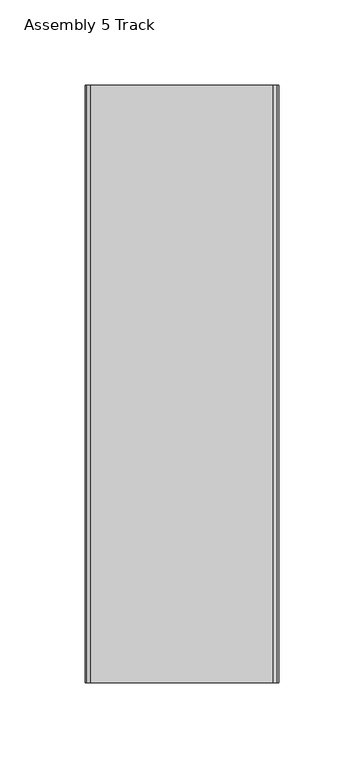
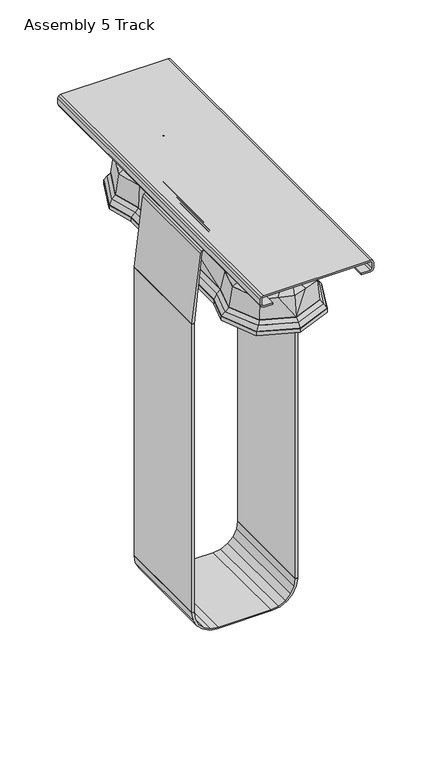
"""IFC4 building model written with IfcOpenShell, lengths in millimetres: furniture geometry, Assembly 5 Track."""

from ifc_helpers import new_model, si_unit, point, frame, frame_2d, origin, origin_2d, place, context, project, spatial, polyline, circle_curve, trimmed, segment, composite_curve, outline, extrude, faceted_brep, source, transform, mapped, element, save
from ifc_brep_helpers import plane_surface, spline_surface, advanced_brep


def assembly_5_track_aa5ab2af(model_context):
    return source(origin(), model_context, "Body", "SolidModel", [
        advanced_brep(
        [(-17.2873897, -117.3429758, 651.87166), (-4.8963072, -124.2971026, 651.87166), (4.8963072, -124.2971026, 651.87166), (17.2873897, -117.3429758, 651.87166), (24.3267209, -99.6999939, 651.87166), (30.2100866, -74.7228336, 651.87166), (30.2100866, 0.0, 651.87166), (30.2100866, 74.7228336, 651.87166), (24.3267209, 99.6999939, 651.87166), (17.2873897, 117.3429758, 651.87166), (4.8963072, 124.2971026, 651.87166), (-4.8963072, 124.2971026, 651.87166), (-17.2873897, 117.3429758, 651.87166), (-24.3267209, 99.6999939, 651.87166), (-30.2100866, 74.7228336, 651.87166), (-30.2100866, 0.0, 651.87166), (-30.2100866, -74.7228336, 651.87166), (-24.3267209, -99.6999939, 651.87166), (-28.5698871, -126.5841996, 643.2464921), (-39.8376291, -97.9798772, 643.2464921), (-33.3850866, -74.2980338, 643.2464921), (-33.3850866, 0.0, 643.2464921), (-33.3850866, 74.2980338, 643.2464921), (-39.8376291, 97.9798772, 643.2464921), (-28.5698871, 126.5841996, 643.2464921), (-13.8886918, 132.4223788, 643.2464921), (0.0, 136.9559961, 643.2464921), (13.8886918, 132.4223788, 643.2464921), (28.5698871, 126.5841996, 643.2464921), (39.8376291, 97.9798772, 643.2464921), (33.3850866, 74.2980338, 643.2464921), (33.3850866, 0.0, 643.2464921), (33.3850866, -74.2980338, 643.2464921), (39.8376291, -97.9798772, 643.2464921), (28.5698871, -126.5841996, 643.2464921), (13.8886918, -132.4223788, 643.2464921), (0.0, -136.9559961, 643.2464921), (-13.8886918, -132.4223788, 643.2464921)],
        [
            (0, 1),
            (1, 2),
            (2, 3),
            (3, 4),
            (4, 5),
            (5, 6),
            (6, 7),
            (7, 8),
            (8, 9),
            (9, 10),
            (10, 11),
            (11, 12),
            (12, 13),
            (13, 14),
            (14, 15),
            (15, 16),
            (16, 17),
            (17, 0),
            (18, 19),
            (19, 20),
            (20, 21),
            (21, 22),
            (22, 23),
            (23, 24),
            (24, 25),
            (25, 26),
            (26, 27),
            (27, 28),
            (28, 29),
            (29, 30),
            (30, 31),
            (31, 32),
            (32, 33),
            (33, 34),
            (34, 35),
            (35, 36),
            (36, 37),
            (37, 18),
            (26, 10),
            (10, 27),
            (35, 2),
            (2, 36),
            (37, 1),
            (0, 18),
            (34, 3),
            (33, 4),
            (32, 5),
            (31, 6),
            (30, 7),
            (29, 8),
            (28, 9),
            (25, 11),
            (24, 12),
            (23, 13),
            (22, 14),
            (21, 15),
            (20, 16),
            (19, 17),
        ],
        [
            plane_surface(frame((0.0, 0.0, 651.87166), z_axis=(0.0, 0.0, 1.0), x_axis=(-0.8720519854537111, -0.4894132555072866, 0.0))),
            plane_surface(frame((0.0, 0.0, 643.2464921), z_axis=(0.0, 0.0, -1.0), x_axis=(-0.8720519854537111, -0.4894132555072866, 0.0))),
            plane_surface(frame((6.9443459, 134.6891874, 643.2464921), z_axis=(0.1968054426729843, 0.6029115340875425, 0.7731528308158078), x_axis=(-0.9506350557655162, 0.3103111192814303, 0.0))),
            plane_surface(frame((6.9443459, -134.6891874, 643.2464921), z_axis=(0.19680544267305358, -0.6029115340874944, 0.7731528308158275), x_axis=(0.9506350557654767, 0.31031111928155136, 0.0))),
            spline_surface(1, 1, [[(-28.5698871, -126.5841996, 643.2464921), (-17.2873897, -117.3429758, 651.87166)], [(-13.8886918, -132.4223788, 643.2464921), (-4.8963072, -124.2971026, 651.87166)]], [2, 2], [2, 2], [0.0, 1.0], [0.0, 1.0]),
            spline_surface(1, 1, [[(-13.8886918, -132.4223788, 643.2464921), (-4.8963072, -124.2971026, 651.87166)], [(0.0, -136.9559961, 643.2464921), (4.8963072, -124.2971026, 651.87166)]], [2, 2], [2, 2], [0.0, 1.0], [0.0, 1.0]),
            spline_surface(1, 1, [[(13.8886918, -132.4223788, 643.2464921), (4.8963072, -124.2971026, 651.87166)], [(28.5698871, -126.5841996, 643.2464921), (17.2873897, -117.3429758, 651.87166)]], [2, 2], [2, 2], [0.0, 1.0], [0.0, 1.0]),
            spline_surface(1, 1, [[(28.5698871, -126.5841996, 643.2464921), (17.2873897, -117.3429758, 651.87166)], [(39.8376291, -97.9798772, 643.2464921), (24.3267209, -99.6999939, 651.87166)]], [2, 2], [2, 2], [0.0, 1.0], [0.0, 1.0]),
            spline_surface(1, 1, [[(39.8376291, -97.9798772, 643.2464921), (24.3267209, -99.6999939, 651.87166)], [(33.3850866, -74.2980338, 643.2464921), (30.2100866, -74.7228336, 651.87166)]], [2, 2], [2, 2], [0.0, 1.0], [0.0, 1.0]),
            plane_surface(frame((33.3850866, -37.1490169, 643.2464921), z_axis=(0.9384381447550459, 0.0, 0.3454473164879234), x_axis=(0.0, 1.0, 0.0))),
            plane_surface(frame((33.3850866, 37.1490169, 643.2464921), z_axis=(0.9384381447550459, 0.0, 0.3454473164879234), x_axis=(0.0, 1.0, 0.0))),
            spline_surface(1, 1, [[(33.3850866, 74.2980338, 643.2464921), (30.2100866, 74.7228336, 651.87166)], [(39.8376291, 97.9798772, 643.2464921), (24.3267209, 99.6999939, 651.87166)]], [2, 2], [2, 2], [0.0, 1.0], [0.0, 1.0]),
            spline_surface(1, 1, [[(39.8376291, 97.9798772, 643.2464921), (24.3267209, 99.6999939, 651.87166)], [(28.5698871, 126.5841996, 643.2464921), (17.2873897, 117.3429758, 651.87166)]], [2, 2], [2, 2], [0.0, 1.0], [0.0, 1.0]),
            spline_surface(1, 1, [[(28.5698871, 126.5841996, 643.2464921), (17.2873897, 117.3429758, 651.87166)], [(13.8886918, 132.4223788, 643.2464921), (4.8963072, 124.2971026, 651.87166)]], [2, 2], [2, 2], [0.0, 1.0], [0.0, 1.0]),
            spline_surface(1, 1, [[(0.0, 136.9559961, 643.2464921), (4.8963072, 124.2971026, 651.87166)], [(-13.8886918, 132.4223788, 643.2464921), (-4.8963072, 124.2971026, 651.87166)]], [2, 2], [2, 2], [0.0, 1.0], [0.0, 1.0]),
            spline_surface(1, 1, [[(-13.8886918, 132.4223788, 643.2464921), (-4.8963072, 124.2971026, 651.87166)], [(-28.5698871, 126.5841996, 643.2464921), (-17.2873897, 117.3429758, 651.87166)]], [2, 2], [2, 2], [0.0, 1.0], [0.0, 1.0]),
            spline_surface(1, 1, [[(-28.5698871, 126.5841996, 643.2464921), (-17.2873897, 117.3429758, 651.87166)], [(-39.8376291, 97.9798772, 643.2464921), (-24.3267209, 99.6999939, 651.87166)]], [2, 2], [2, 2], [0.0, 1.0], [0.0, 1.0]),
            spline_surface(1, 1, [[(-39.8376291, 97.9798772, 643.2464921), (-24.3267209, 99.6999939, 651.87166)], [(-33.3850866, 74.2980338, 643.2464921), (-30.2100866, 74.7228336, 651.87166)]], [2, 2], [2, 2], [0.0, 1.0], [0.0, 1.0]),
            plane_surface(frame((-33.3850866, 37.1490169, 643.2464921), z_axis=(-0.9384381447550442, 0.0, 0.34544731648792826), x_axis=(0.0, -1.0, 0.0))),
            plane_surface(frame((-33.3850866, -37.1490169, 643.2464921), z_axis=(-0.9384381447550442, 0.0, 0.34544731648792826), x_axis=(0.0, -1.0, 0.0))),
            spline_surface(1, 1, [[(-33.3850866, -74.2980338, 643.2464921), (-30.2100866, -74.7228336, 651.87166)], [(-39.8376291, -97.9798772, 643.2464921), (-24.3267209, -99.6999939, 651.87166)]], [2, 2], [2, 2], [0.0, 1.0], [0.0, 1.0]),
            spline_surface(1, 1, [[(-39.8376291, -97.9798772, 643.2464921), (-24.3267209, -99.6999939, 651.87166)], [(-28.5698871, -126.5841996, 643.2464921), (-17.2873897, -117.3429758, 651.87166)]], [2, 2], [2, 2], [0.0, 1.0], [0.0, 1.0]),
        ],
        [
            (0, [[1, 2, 3, 4, 5, 6, 7, 8, 9, 10, 11, 12, 13, 14, 15, 16, 17, 18]]),
            (1, [[19, 20, 21, 22, 23, 24, 25, 26, 27, 28, 29, 30, 31, 32, 33, 34, 35, 36, 37, 38]]),
            (2, [[-27, 39, 40]]),
            (3, [[-36, 41, 42]]),
            (4, [[-38, 43, -1, 44]]),
            (5, [[-37, -42, -2, -43]]),
            (6, [[-35, 45, -3, -41]]),
            (7, [[-34, 46, -4, -45]]),
            (8, [[-33, 47, -5, -46]]),
            (9, [[-32, 48, -6, -47]]),
            (10, [[-31, 49, -7, -48]]),
            (11, [[-30, 50, -8, -49]]),
            (12, [[-29, 51, -9, -50]]),
            (13, [[-28, -40, -10, -51]]),
            (14, [[-26, 52, -11, -39]]),
            (15, [[-25, 53, -12, -52]]),
            (16, [[-24, 54, -13, -53]]),
            (17, [[-23, 55, -14, -54]]),
            (18, [[-22, 56, -15, -55]]),
            (19, [[-21, 57, -16, -56]]),
            (20, [[-20, 58, -17, -57]]),
            (21, [[-19, -44, -18, -58]]),
        ],
    ),
        extrude(outline(polyline([(-17.0268792, 17.058371), (-0.0310427, 24.0982768), (16.9647937, 17.058371), (24.0046995, 0.0625346), (16.9647937, -16.9333019), (-0.0310427, -23.9732076), (-17.0268792, -16.9333019), (-24.0667849, 0.0625346), (-17.0268792, 17.058371)])), frame((0.0, 0.0, 660.4479135), z_axis=(0.0, 0.0, 1.0), x_axis=(1.0, 0.0, 0.0)), (0.0, 0.0, 1.0), 3.7426452),
        advanced_brep(
        [(-12.2215775, 92.9573778, 655.8231426), (-3.2362175, 98.000144, 655.8231426), (3.2362175, 98.000144, 655.8231426), (12.2215775, 92.9573778, 655.8231426), (18.2540278, 77.8379852, 655.8231426), (24.9849067, 49.262804, 655.8231426), (24.9849067, 0.0, 655.8231426), (24.9849067, -49.262804, 655.8231426), (18.2540278, -77.8379852, 655.8231426), (12.2215775, -92.9573778, 655.8231426), (3.2362175, -98.000144, 655.8231426), (-3.2362175, -98.000144, 655.8231426), (-12.2215775, -92.9573778, 655.8231426), (-18.2540278, -77.8379852, 655.8231426), (-25.1098867, -48.7322156, 655.8231426), (-25.1098867, 0.0, 655.8231426), (-25.1098867, 48.7322156, 655.8231426), (-18.2540278, 77.8379852, 655.8231426), (-17.0268792, 17.058371, 660.4479135), (-24.0667849, 0.0625346, 660.4479135), (-17.0268792, -16.9333019, 660.4479135), (-0.0310427, -23.9732076, 660.4479135), (16.9647937, -16.9333019, 660.4479135), (24.0046995, 0.0625346, 660.4479135), (16.9647937, 17.058371, 660.4479135), (-0.0310427, 24.0982768, 660.4479135)],
        [
            (0, 1),
            (1, 2),
            (2, 3),
            (3, 4),
            (4, 5),
            (5, 6),
            (6, 7),
            (7, 8),
            (8, 9),
            (9, 10),
            (10, 11),
            (11, 12),
            (12, 13),
            (13, 14),
            (14, 15),
            (15, 16),
            (16, 17),
            (17, 0),
            (18, 19),
            (19, 20),
            (20, 21),
            (21, 22),
            (22, 23),
            (23, 24),
            (24, 25),
            (25, 18),
            (6, 23),
            (23, 7),
            (23, 8),
            (22, 9),
            (21, 10),
            (21, 11),
            (20, 12),
            (19, 13),
            (19, 14),
            (19, 15),
            (25, 1),
            (0, 18),
            (25, 2),
            (24, 3),
            (23, 4),
            (23, 5),
            (19, 16),
            (19, 17),
        ],
        [
            plane_surface(frame((-0.02083, 0.0, 655.8231426), z_axis=(0.0, 0.0, -1.0), x_axis=(0.2292751653209322, -0.9733616483954252, 0.0))),
            plane_surface(frame((-0.0310427, 0.0625346, 660.4479135), z_axis=(0.0, 0.0, 1.0), x_axis=(0.2292751653209322, -0.9733616483954252, 0.0))),
            plane_surface(frame((24.0046995, 0.0625346, 660.4479135), z_axis=(0.9782686660565723, 0.0, 0.20734130560960282), x_axis=(0.0, -1.0, 0.0))),
            plane_surface(frame((24.0046995, 0.0625346, 660.4479135), z_axis=(0.34346769085420936, -0.08090375425496898, 0.9356733018990812), x_axis=(-0.2292751653209367, -0.973361648395424, 0.0))),
            spline_surface(1, 1, [[(24.0046995, 0.0625346, 660.4479135), (18.2540278, -77.8379852, 655.8231426)], [(16.9647937, -16.9333019, 660.4479135), (12.2215775, -92.9573778, 655.8231426)]], [2, 2], [2, 2], [0.0, 1.0], [0.0, 1.0]),
            spline_surface(1, 1, [[(16.9647937, -16.9333019, 660.4479135), (12.2215775, -92.9573778, 655.8231426)], [(-0.0310427, -23.9732076, 660.4479135), (3.2362175, -98.000144, 655.8231426)]], [2, 2], [2, 2], [0.0, 1.0], [0.0, 1.0]),
            plane_surface(frame((-0.0310427, -23.9732076, 660.4479135), z_axis=(0.0, -0.06235259879274023, 0.9980541836111864), x_axis=(-1.0, 0.0, 0.0))),
            spline_surface(1, 1, [[(-0.0310427, -23.9732076, 660.4479135), (-3.2362175, -98.000144, 655.8231426)], [(-17.0268792, -16.9333019, 660.4479135), (-12.2215775, -92.9573778, 655.8231426)]], [2, 2], [2, 2], [0.0, 1.0], [0.0, 1.0]),
            spline_surface(1, 1, [[(-17.0268792, -16.9333019, 660.4479135), (-12.2215775, -92.9573778, 655.8231426)], [(-24.0667849, 0.0625346, 660.4479135), (-18.2540278, -77.8379852, 655.8231426)]], [2, 2], [2, 2], [0.0, 1.0], [0.0, 1.0]),
            plane_surface(frame((-24.0667849, 0.0625346, 660.4479135), z_axis=(-0.3449554713380707, -0.08125420068663988, 0.9350954377306655), x_axis=(-0.2292751653209322, 0.9733616483954252, 0.0))),
            plane_surface(frame((-24.0667849, 0.0625346, 660.4479135), z_axis=(-0.9754954124755818, 0.0, 0.22001977238215342), x_axis=(0.0, 1.0, 0.0))),
            spline_surface(1, 1, [[(-17.0268792, 17.058371, 660.4479135), (-12.2215775, 92.9573778, 655.8231426)], [(-0.0310427, 24.0982768, 660.4479135), (-3.2362175, 98.000144, 655.8231426)]], [2, 2], [2, 2], [0.0, 1.0], [0.0, 1.0]),
            plane_surface(frame((-0.0310427, 24.0982768, 660.4479135), z_axis=(0.0, 0.062457711032967066, 0.9980476112553561), x_axis=(1.0, 0.0, 0.0))),
            spline_surface(1, 1, [[(-0.0310427, 24.0982768, 660.4479135), (3.2362175, 98.000144, 655.8231426)], [(16.9647937, 17.058371, 660.4479135), (12.2215775, 92.9573778, 655.8231426)]], [2, 2], [2, 2], [0.0, 1.0], [0.0, 1.0]),
            spline_surface(1, 1, [[(16.9647937, 17.058371, 660.4479135), (12.2215775, 92.9573778, 655.8231426)], [(24.0046995, 0.0625346, 660.4479135), (18.2540278, 77.8379852, 655.8231426)]], [2, 2], [2, 2], [0.0, 1.0], [0.0, 1.0]),
            plane_surface(frame((24.0046995, 0.0625346, 660.4479135), z_axis=(0.3441721653532816, 0.08106969309949283, 0.9354000349886606), x_axis=(0.229275165320935, -0.9733616483954245, 0.0))),
            plane_surface(frame((24.0046995, 0.0625346, 660.4479135), z_axis=(0.9782686660565724, 0.0, 0.20734130560960284), x_axis=(0.0, -1.0, 0.0))),
            plane_surface(frame((-24.0667849, 0.0625346, 660.4479135), z_axis=(-0.9754954124755818, 0.0, 0.2200197723821534), x_axis=(0.0, 1.0, 0.0))),
            plane_surface(frame((-24.0667849, 0.0625346, 660.4479135), z_axis=(-0.3456656272537626, 0.08142147778785265, 0.9348186011682187), x_axis=(0.22927516532093598, 0.9733616483954243, 0.0))),
            spline_surface(1, 1, [[(-24.0667849, 0.0625346, 660.4479135), (-18.2540278, 77.8379852, 655.8231426)], [(-17.0268792, 17.058371, 660.4479135), (-12.2215775, 92.9573778, 655.8231426)]], [2, 2], [2, 2], [0.0, 1.0], [0.0, 1.0]),
        ],
        [
            (0, [[1, 2, 3, 4, 5, 6, 7, 8, 9, 10, 11, 12, 13, 14, 15, 16, 17, 18]]),
            (1, [[19, 20, 21, 22, 23, 24, 25, 26]]),
            (2, [[-7, 27, 28]]),
            (3, [[-8, -28, 29]]),
            (4, [[-23, 30, -9, -29]]),
            (5, [[-22, 31, -10, -30]]),
            (6, [[-11, -31, 32]]),
            (7, [[-21, 33, -12, -32]]),
            (8, [[-20, 34, -13, -33]]),
            (9, [[-14, -34, 35]]),
            (10, [[-15, -35, 36]]),
            (11, [[-26, 37, -1, 38]]),
            (12, [[-2, -37, 39]]),
            (13, [[-25, 40, -3, -39]]),
            (14, [[-24, 41, -4, -40]]),
            (15, [[-5, -41, 42]]),
            (16, [[-6, -42, -27]]),
            (17, [[-16, -36, 43]]),
            (18, [[-17, -43, 44]]),
            (19, [[-19, -38, -18, -44]]),
        ],
    ),
        faceted_brep([(-24.3267209, 99.6999939, 651.87166), (-17.2873897, 117.3429758, 651.87166), (-4.8963072, 124.2971026, 651.87166), (4.8963072, 124.2971026, 651.87166), (17.2873897, 117.3429758, 651.87166), (24.3267209, 99.6999939, 651.87166), (30.2100866, 74.7228336, 651.87166), (30.2100866, 0.0, 651.87166), (30.2100866, -74.7228336, 651.87166), (24.3267209, -99.6999939, 651.87166), (17.2873897, -117.3429758, 651.87166), (4.8963072, -124.2971026, 651.87166), (-4.8963072, -124.2971026, 651.87166), (-17.2873897, -117.3429758, 651.87166), (-24.3267209, -99.6999939, 651.87166), (-30.2100866, -74.7228336, 651.87166), (-30.2100866, 0.0, 651.87166), (-30.2100866, 74.7228336, 651.87166), (-18.2540278, 77.8379852, 655.8231426), (-25.1098867, 48.7322156, 655.8231426), (-25.1098867, 0.0, 655.8231426), (-25.1098867, -48.7322156, 655.8231426), (-18.2540278, -77.8379852, 655.8231426), (-12.2215775, -92.9573778, 655.8231426), (-3.2362175, -98.000144, 655.8231426), (3.2362175, -98.000144, 655.8231426), (12.2215775, -92.9573778, 655.8231426), (18.2540278, -77.8379852, 655.8231426), (24.9849067, -49.262804, 655.8231426), (24.9849067, 0.0, 655.8231426), (24.9849067, 49.262804, 655.8231426), (18.2540278, 77.8379852, 655.8231426), (12.2215775, 92.9573778, 655.8231426), (3.2362175, 98.000144, 655.8231426), (-3.2362175, 98.000144, 655.8231426), (-12.2215775, 92.9573778, 655.8231426)], [[[0, 1, 2, 3, 4, 5, 6, 7, 8, 9, 10, 11, 12, 13, 14, 15, 16, 17]], [[18, 19, 20, 21, 22, 23, 24, 25, 26, 27, 28, 29, 30, 31, 32, 33, 34, 35]], [[18, 35, 1, 0]], [[35, 34, 2, 1]], [[34, 33, 3, 2]], [[33, 32, 4, 3]], [[32, 31, 5, 4]], [[31, 30, 6, 5]], [[30, 29, 7, 6]], [[29, 28, 8, 7]], [[28, 27, 9, 8]], [[27, 26, 10, 9]], [[26, 25, 11, 10]], [[25, 24, 12, 11]], [[24, 23, 13, 12]], [[23, 22, 14, 13]], [[22, 21, 15, 14]], [[21, 20, 16, 15]], [[20, 19, 17, 16]], [[19, 18, 0, 17]]]),
        faceted_brep([(-30.3022334, 128.1602075, 622.5134218), (-43.4431033, 98.1638447, 622.5134218), (-36.1041447, 71.2287153, 622.5134218), (-36.1041447, -71.2287153, 622.5134218), (-43.4220932, -98.0867346, 622.5134218), (-30.3022334, -128.0351384, 622.5134218), (-0.0310427, -140.3357292, 622.5134218), (30.2401479, -128.0351384, 622.5134218), (43.3982859, -97.999358, 622.5134218), (36.1041447, -71.2287153, 622.5134218), (36.1041447, 71.2287153, 622.5134218), (43.4192959, 98.0764681, 622.5134218), (30.2401479, 128.1602075, 622.5134218), (-0.0310427, 140.4607984, 622.5134218), (-32.6927164, 130.6159575, 619.1070621), (-0.0310427, 143.8879126, 619.1070621), (32.630631, 130.6159575, 619.1070621), (46.7773601, 98.3235426, 619.1070621), (39.2791447, 70.8039155, 619.1070621), (39.2791447, -70.8039155, 619.1070621), (46.7563501, -98.2464326, 619.1070621), (32.630631, -130.4908883, 619.1070621), (-0.0310427, -143.7628435, 619.1070621), (-32.6927164, -130.4908883, 619.1070621), (-46.7801574, -98.3338092, 619.1070621), (-39.2791447, -70.8039155, 619.1070621), (-39.2791447, 70.8039155, 619.1070621), (-46.8011675, 98.4109192, 619.1070621)], [[[0, 1, 2, 3, 4, 5, 6, 7, 8, 9, 10, 11, 12, 13]], [[14, 15, 16, 17, 18, 19, 20, 21, 22, 23, 24, 25, 26, 27]], [[14, 27, 1, 0]], [[27, 26, 2, 1]], [[26, 25, 3, 2]], [[25, 24, 4, 3]], [[24, 23, 5, 4]], [[23, 22, 6, 5]], [[22, 21, 7, 6]], [[21, 20, 8, 7]], [[20, 19, 9, 8]], [[19, 18, 10, 9]], [[18, 17, 11, 10]], [[17, 16, 12, 11]], [[16, 15, 13, 12]], [[15, 14, 0, 13]]]),
        advanced_brep(
        [(-28.5698871, 126.5841996, 643.2464921), (-39.8376291, 97.9798772, 643.2464921), (-33.3850866, 74.2980338, 643.2464921), (-33.3850866, 0.0, 643.2464921), (-33.3850866, -74.2980338, 643.2464921), (-39.8376291, -97.9798772, 643.2464921), (-28.5698871, -126.5841996, 643.2464921), (-13.8886918, -132.4223788, 643.2464921), (0.0, -136.9559961, 643.2464921), (13.8886918, -132.4223788, 643.2464921), (28.5698871, -126.5841996, 643.2464921), (39.8376291, -97.9798772, 643.2464921), (33.3850866, -74.2980338, 643.2464921), (33.3850866, 0.0, 643.2464921), (33.3850866, 74.2980338, 643.2464921), (39.8376291, 97.9798772, 643.2464921), (28.5698871, 126.5841996, 643.2464921), (13.8886918, 132.4223788, 643.2464921), (0.0, 136.9559961, 643.2464921), (-13.8886918, 132.4223788, 643.2464921), (-30.3022334, 128.1602075, 622.5134218), (-0.0310427, 140.4607984, 622.5134218), (30.2401479, 128.1602075, 622.5134218), (43.4192959, 98.0764681, 622.5134218), (36.1041447, 71.2287153, 622.5134218), (36.1041447, -71.2287153, 622.5134218), (43.3982859, -97.999358, 622.5134218), (30.2401479, -128.0351384, 622.5134218), (-0.0310427, -140.3357292, 622.5134218), (-30.3022334, -128.0351384, 622.5134218), (-43.4220932, -98.0867346, 622.5134218), (-36.1041447, -71.2287153, 622.5134218), (-36.1041447, 71.2287153, 622.5134218), (-43.4431033, 98.1638447, 622.5134218)],
        [
            (0, 1),
            (1, 2),
            (2, 3),
            (3, 4),
            (4, 5),
            (5, 6),
            (6, 7),
            (7, 8),
            (8, 9),
            (9, 10),
            (10, 11),
            (11, 12),
            (12, 13),
            (13, 14),
            (14, 15),
            (15, 16),
            (16, 17),
            (17, 18),
            (18, 19),
            (19, 0),
            (20, 21),
            (21, 22),
            (22, 23),
            (23, 24),
            (24, 25),
            (25, 26),
            (26, 27),
            (27, 28),
            (28, 29),
            (29, 30),
            (30, 31),
            (31, 32),
            (32, 33),
            (33, 20),
            (3, 31),
            (31, 4),
            (13, 24),
            (24, 14),
            (33, 1),
            (0, 20),
            (32, 2),
            (30, 5),
            (29, 6),
            (26, 11),
            (10, 27),
            (25, 12),
            (23, 15),
            (22, 16),
            (28, 7),
            (9, 28),
            (21, 17),
            (21, 18),
            (21, 19),
            (28, 8),
        ],
        [
            plane_surface(frame((0.0, 0.0, 643.2464921), z_axis=(0.0, 0.0, 1.0000000000000002), x_axis=(-0.3665068524257719, -0.9304153519396343, 0.0))),
            plane_surface(frame((-0.0167051, 0.0378163, 622.5134218), z_axis=(0.0, 0.0, -1.0000000000000002), x_axis=(-0.3665068524257719, -0.9304153519396343, 0.0))),
            plane_surface(frame((-36.1041447, -71.2287153, 622.5134218), z_axis=(-0.9915097347592615, 0.0, 0.1300324800871651), x_axis=(0.0, -1.0, 0.0))),
            plane_surface(frame((36.1041447, 71.2287153, 622.5134218), z_axis=(0.9915097347592604, 0.0, 0.13003248008717344), x_axis=(0.0, 1.0, 0.0))),
            spline_surface(1, 1, [[(-30.3022334, 128.1602075, 622.5134218), (-28.5698871, 126.5841996, 643.2464921)], [(-43.4431033, 98.1638447, 622.5134218), (-39.8376291, 97.9798772, 643.2464921)]], [2, 2], [2, 2], [0.0, 1.0], [0.0, 1.0]),
            plane_surface(frame((-39.773624, 84.69628, 622.5134218), z_axis=(-0.9518868548283684, -0.2593586276510339, 0.16323148552877023), x_axis=(0.262884487639199, -0.964827314164911, 0.0))),
            plane_surface(frame((-36.1041447, 0.0, 622.5134218), z_axis=(-0.9915097347592615, 0.0, 0.13003248008716511), x_axis=(0.0, -1.0, 0.0))),
            plane_surface(frame((-39.763119, -84.657725, 622.5134218), z_axis=(-0.9518868548283698, 0.2593586276510342, 0.16323148552876188), x_axis=(-0.26288448763919897, -0.9648273141649111, 0.0))),
            spline_surface(1, 1, [[(-43.4220932, -98.0867346, 622.5134218), (-39.8376291, -97.9798772, 643.2464921)], [(-30.3022334, -128.0351384, 622.5134218), (-28.5698871, -126.5841996, 643.2464921)]], [2, 2], [2, 2], [0.0, 1.0], [0.0, 1.0]),
            spline_surface(1, 1, [[(30.2401479, -128.0351384, 622.5134218), (28.5698871, -126.5841996, 643.2464921)], [(43.3982859, -97.999358, 622.5134218), (39.8376291, -97.9798772, 643.2464921)]], [2, 2], [2, 2], [0.0, 1.0], [0.0, 1.0]),
            plane_surface(frame((39.7512153, -84.6140367, 622.5134218), z_axis=(0.951886854828366, 0.259358627651033, 0.16323148552878566), x_axis=(-0.2628844876391988, 0.9648273141649111, 0.0))),
            plane_surface(frame((36.1041447, 0.0, 622.5134218), z_axis=(0.9915097347592604, 0.0, 0.13003248008717344), x_axis=(0.0, 1.0, 0.0))),
            plane_surface(frame((39.7617203, 84.6525917, 622.5134218), z_axis=(0.9518868548283688, -0.259358627651034, 0.16323148552876765), x_axis=(0.262884487639199, 0.964827314164911, 0.0))),
            spline_surface(1, 1, [[(43.4192959, 98.0764681, 622.5134218), (39.8376291, 97.9798772, 643.2464921)], [(30.2401479, 128.1602075, 622.5134218), (28.5698871, 126.5841996, 643.2464921)]], [2, 2], [2, 2], [0.0, 1.0], [0.0, 1.0]),
            spline_surface(1, 1, [[(-30.3022334, -128.0351384, 622.5134218), (-28.5698871, -126.5841996, 643.2464921)], [(-0.0310427, -140.3357292, 622.5134218), (-13.8886918, -132.4223788, 643.2464921)]], [2, 2], [2, 2], [0.0, 1.0], [0.0, 1.0]),
            spline_surface(1, 1, [[(-0.0310427, -140.3357292, 622.5134218), (13.8886918, -132.4223788, 643.2464921)], [(30.2401479, -128.0351384, 622.5134218), (28.5698871, -126.5841996, 643.2464921)]], [2, 2], [2, 2], [0.0, 1.0], [0.0, 1.0]),
            spline_surface(1, 1, [[(30.2401479, 128.1602075, 622.5134218), (28.5698871, 126.5841996, 643.2464921)], [(-0.0310427, 140.4607984, 622.5134218), (13.8886918, 132.4223788, 643.2464921)]], [2, 2], [2, 2], [0.0, 1.0], [0.0, 1.0]),
            plane_surface(frame((-0.0310427, 140.4607984, 622.5134218), z_axis=(0.30640258609796267, 0.9386613028773333, 0.15821635096635253), x_axis=(-0.9506350557655463, 0.31031111928133803, 0.0))),
            plane_surface(frame((-0.0310427, 140.4607984, 622.5134218), z_axis=(-0.30635798711353374, 0.9385246743280923, 0.15911071431268356), x_axis=(-0.9506350557655491, -0.31031111928132943, 0.0))),
            spline_surface(1, 1, [[(-0.0310427, 140.4607984, 622.5134218), (-13.8886918, 132.4223788, 643.2464921)], [(-30.3022334, 128.1602075, 622.5134218), (-28.5698871, 126.5841996, 643.2464921)]], [2, 2], [2, 2], [0.0, 1.0], [0.0, 1.0]),
            plane_surface(frame((-0.0310427, -140.3357292, 622.5134218), z_axis=(-0.306629406970243, -0.9393561663845429, 0.15358515376302534), x_axis=(0.9506350557655779, -0.3103111192812409, 0.0))),
            plane_surface(frame((-0.0310427, -140.3357292, 622.5134218), z_axis=(0.3066725285262527, -0.9394882688454245, 0.15268841786180945), x_axis=(0.9506350557654819, 0.31031111928153526, 0.0))),
        ],
        [
            (0, [[1, 2, 3, 4, 5, 6, 7, 8, 9, 10, 11, 12, 13, 14, 15, 16, 17, 18, 19, 20]]),
            (1, [[21, 22, 23, 24, 25, 26, 27, 28, 29, 30, 31, 32, 33, 34]]),
            (2, [[-4, 35, 36]]),
            (3, [[-14, 37, 38]]),
            (4, [[-34, 39, -1, 40]]),
            (5, [[-33, 41, -2, -39]]),
            (6, [[-32, -35, -3, -41]]),
            (7, [[-31, 42, -5, -36]]),
            (8, [[-30, 43, -6, -42]]),
            (9, [[-27, 44, -11, 45]]),
            (10, [[-26, 46, -12, -44]]),
            (11, [[-25, -37, -13, -46]]),
            (12, [[-24, 47, -15, -38]]),
            (13, [[-23, 48, -16, -47]]),
            (14, [[-29, 49, -7, -43]]),
            (15, [[-28, -45, -10, 50]]),
            (16, [[-22, 51, -17, -48]]),
            (17, [[-18, -51, 52]]),
            (18, [[-19, -52, 53]]),
            (19, [[-21, -40, -20, -53]]),
            (20, [[-8, -49, 54]]),
            (21, [[-9, -54, -50]]),
        ],
    ),
        extrude(outline(composite_curve([segment(trimmed(circle_curve(origin_2d(), 15.8750001), [point((15.8750001, 0.0))], [point((-15.8750001, 0.0))], False, "CARTESIAN"), True, "CONTINUOUS"), segment(trimmed(circle_curve(origin_2d(), 15.8750001), [point((-15.8750001, 0.0))], [point((15.8750001, 0.0))], False, "CARTESIAN"), True, "CONTINUOUS")], self_intersect=False)), frame((0.0, 0.0, 664.1905587), z_axis=(0.0, 0.0, 1.0), x_axis=(1.0, 0.0, 0.0)), (0.0, 0.0, 1.0), 5.0194418),
        extrude(outline(composite_curve([segment(trimmed(circle_curve(frame_2d((680.5353179, -42.8480782)), 3.0000007), [point((682.0353185, -40.2500015))], [point((683.1333946, -44.3480788))], False, "CARTESIAN"), True, "CONTINUOUS"), segment(polyline([(683.1333946, -44.3480788), (678.6333947, -52.1423051), (676.9013432, -51.1423044), (681.4013433, -43.3480763)]), True, "CONTINUOUS"), segment(trimmed(circle_curve(frame_2d((680.5353169, -42.8480756)), 1.0000012), [point((681.4013433, -43.3480763))], [point((681.0353174, -41.9820492))], True, "CARTESIAN"), True, "CONTINUOUS"), segment(polyline([(681.0353174, -41.9820492), (670.7099997, -36.0207256)]), True, "CONTINUOUS"), segment(trimmed(circle_curve(frame_2d((672.2099985, -33.4226509)), 2.9999981), [point((670.7099997, -36.0207256))], [point((669.2100004, -33.4226509))], False, "CARTESIAN"), True, "CONTINUOUS"), segment(polyline([(669.2100004, -33.4226509), (669.2100004, 33.4226527)]), True, "CONTINUOUS"), segment(trimmed(circle_curve(frame_2d((672.2099993, 33.4226527)), 2.9999989), [point((669.2100004, 33.4226527))], [point((670.7099997, 36.0207278))], False, "CARTESIAN"), True, "CONTINUOUS"), segment(polyline([(670.7099997, 36.0207278), (681.035319, 41.9820546)]), True, "CONTINUOUS"), segment(trimmed(circle_curve(frame_2d((680.5353203, 42.8480776)), 0.9999973), [point((681.035319, 41.9820546))], [point((681.4013433, 43.3480763))], True, "CARTESIAN"), True, "CONTINUOUS"), segment(polyline([(681.4013433, 43.3480763), (676.9013432, 51.1423044), (678.6333947, 52.1423051), (683.1333936, 44.3480805)]), True, "CONTINUOUS"), segment(trimmed(circle_curve(frame_2d((680.5353153, 42.8480789)), 3.0000026), [point((683.1333936, 44.3480805))], [point((682.0353168, 40.2500005))], False, "CARTESIAN"), True, "CONTINUOUS"), segment(polyline([(682.0353168, 40.2500005), (671.7100004, 34.2886754)]), True, "CONTINUOUS"), segment(trimmed(circle_curve(frame_2d((672.2100011, 33.4226489)), 1.0000013), [point((671.7100004, 34.2886754))], [point((671.2099998, 33.4226489))], True, "CARTESIAN"), True, "CONTINUOUS"), segment(polyline([(671.2099998, 33.4226489), (671.2099998, -33.4226494)]), True, "CONTINUOUS"), segment(trimmed(circle_curve(frame_2d((672.2100002, -33.4226494)), 1.0000004), [point((671.2099998, -33.4226494))], [point((671.71, -34.2886751))], True, "CARTESIAN"), True, "CONTINUOUS"), segment(polyline([(671.71, -34.2886751), (682.0353185, -40.2500015)]), True, "CONTINUOUS")], self_intersect=False)), frame((0.0, -50.038, 0.0), z_axis=(0.0, 1.0, 0.0), x_axis=(0.0, 0.0, 1.0)), (0.0, 0.0, 1.0), 100.2147529),
        extrude(outline(polyline([(274.2577691, -50.6309578), (274.2577691, -52.8228583), (266.4086842, -51.5796975), (259.3280118, -47.9718917), (253.7087327, -42.3526081), (250.100886, -35.2718925), (248.8577206, -27.4228598), (248.8577206, 27.3387231), (250.100886, 35.1877557), (253.7087327, 42.2684713), (259.3280118, 47.887755), (266.4086842, 51.4955607), (274.2577691, 52.7387216), (274.2577691, 50.546821), (266.6289469, 49.5232928), (259.7317662, 46.1128633), (254.2891478, 40.674051), (250.8739493, 33.7792184), (249.8483578, 26.174964), (249.8483578, -26.2591007), (250.8739493, -33.8633552), (254.2891478, -40.7581878), (259.7317662, -46.197), (266.6289469, -49.6074296), (274.2577691, -50.6309578)])), frame((0.0, -51.001477, 0.0), z_axis=(0.0, 1.0, 0.0), x_axis=(0.0, 0.0, 1.0)), (0.0, 0.0, 1.0), 100.0000008),
        extrude(outline(polyline([(-50.6305775, -51.001477), (-52.8228583, -51.001477), (-52.8228583, 48.9985238), (-50.6305775, 48.9985238), (-50.6305775, -51.001477)])), frame((0.0, 0.0, 274.2577691), z_axis=(0.0, 0.0, 1.0), x_axis=(1.0, 0.0, 0.0)), (0.0, 0.0, 1.0), 304.8),
        extrude(outline(polyline([(52.7387216, -51.001477), (50.5464408, -51.001477), (50.5464408, 48.9985238), (52.7387216, 48.9985238), (52.7387216, -51.001477)])), frame((0.0, 0.0, 274.2577691), z_axis=(0.0, 0.0, 1.0), x_axis=(1.0, 0.0, 0.0)), (0.0, 0.0, 1.0), 304.7972022),
        extrude(outline(polyline([(652.9398646, -38.5681143), (641.8576513, -18.9221989), (642.5917026, -18.1881476), (653.8108438, -38.0767971), (654.2875249, -40.6021108), (653.1293561, -42.8962567), (650.8144038, -44.0122542), (579.0577691, -52.8228583), (579.0577691, -50.6302803), (650.692534, -43.0197049), (652.4287471, -42.1827102), (653.2973759, -40.462103), (652.9398646, -38.5681143)])), frame((0.0, -51.001477, 0.0), z_axis=(0.0, 1.0, 0.0), x_axis=(0.0, 0.0, 1.0)), (0.0, 0.0, 1.0), 100.0000008),
        extrude(outline(polyline([(650.692534, 42.9355681), (579.0577691, 50.5461435), (579.0577691, 52.7387216), (650.8144038, 43.9281175), (653.1293561, 42.81212), (654.2875249, 40.5179741), (653.8108438, 37.9926604), (642.7286283, 18.3467449), (641.994577, 19.0807962), (652.9398646, 38.4839776), (653.2973759, 40.3779663), (652.4287471, 42.0985734), (650.692534, 42.9355681)])), frame((0.0, -51.001477, 0.0), z_axis=(0.0, 1.0, 0.0), x_axis=(0.0, 0.0, 1.0)), (0.0, 0.0, 1.0), 100.0000008),
        extrude(outline(polyline([(-0.0310427, 146.9590642), (35.2511265, 132.3447037), (49.8654801, 97.0625368), (43.0000007, 71.86515), (43.0000007, -71.7400809), (49.8654801, -96.9374676), (35.2511265, -132.2196345), (-0.0310427, -146.833995), (-35.3132119, -132.2196345), (-49.9275656, -96.9374676), (-43.0310434, -71.6261492), (-43.0310434, 71.7512184), (-49.9275656, 97.0625368), (-35.3132119, 132.3447037), (-0.0310427, 146.9590642)])), frame((0.0, 0.0, 610.2153058), z_axis=(0.0, 0.0, 1.0), x_axis=(1.0, 0.0, 0.0)), (0.0, 0.0, 1.0), 4.1033137),
        advanced_brep(
        [(-46.7801574, -98.3338092, 619.1070621), (-32.6927164, -130.4908883, 619.1070621), (-0.0310427, -143.7628435, 619.1070621), (32.630631, -130.4908883, 619.1070621), (46.7563501, -98.2464326, 619.1070621), (39.2791447, -70.8039155, 619.1070621), (39.2791447, 70.8039155, 619.1070621), (46.7773601, 98.3235426, 619.1070621), (32.630631, 130.6159575, 619.1070621), (-0.0310427, 143.8879126, 619.1070621), (-32.6927164, 130.6159575, 619.1070621), (-46.8011675, 98.4109192, 619.1070621), (-39.2791447, 70.8039155, 619.1070621), (-39.2791447, -70.8039155, 619.1070621), (-49.9275656, -96.9374676, 614.3186195), (-43.0310434, -71.6261492, 614.3186195), (-43.0310434, 71.7512184, 614.3186195), (-49.9275656, 97.0625368, 614.3186195), (-35.3132119, 132.3447037, 614.3186195), (-0.0310427, 146.9590642, 614.3186195), (35.2511265, 132.3447037, 614.3186195), (49.8654801, 97.0625368, 614.3186195), (42.968958, 71.7512184, 614.3186195), (42.968958, -71.6261492, 614.3186195), (49.8654801, -96.9374676, 614.3186195), (35.2511265, -132.2196345, 614.3186195), (-0.0310427, -146.833995, 614.3186195), (-35.3132119, -132.2196345, 614.3186195)],
        [
            (0, 1),
            (1, 2),
            (2, 3),
            (3, 4),
            (4, 5),
            (5, 6),
            (6, 7),
            (7, 8),
            (8, 9),
            (9, 10),
            (10, 11),
            (11, 12),
            (12, 13),
            (13, 0),
            (14, 15),
            (15, 16),
            (16, 17),
            (17, 18),
            (18, 19),
            (19, 20),
            (20, 21),
            (21, 22),
            (22, 23),
            (23, 24),
            (24, 25),
            (25, 26),
            (26, 27),
            (27, 14),
            (27, 1),
            (0, 14),
            (26, 2),
            (25, 3),
            (24, 4),
            (23, 5),
            (22, 6),
            (21, 7),
            (20, 8),
            (19, 9),
            (18, 10),
            (17, 11),
            (16, 12),
            (15, 13),
        ],
        [
            plane_surface(frame((-0.0167051, 0.0378163, 619.1070621), z_axis=(0.0, 0.0, 1.0), x_axis=(-0.4012663150716981, -0.915961431714666, 0.0))),
            plane_surface(frame((-0.0310427, 0.0625346, 614.3186195), z_axis=(0.0, 0.0, -1.0), x_axis=(-0.4012663150716981, -0.915961431714666, 0.0))),
            spline_surface(1, 1, [[(-49.9275656, -96.9374676, 614.3186195), (-46.7801574, -98.3338092, 619.1070621)], [(-35.3132119, -132.2196345, 614.3186195), (-32.6927164, -130.4908883, 619.1070621)]], [2, 2], [2, 2], [0.0, 1.0], [0.0, 1.0]),
            spline_surface(1, 1, [[(-35.3132119, -132.2196345, 614.3186195), (-32.6927164, -130.4908883, 619.1070621)], [(-0.0310427, -146.833995, 614.3186195), (-0.0310427, -143.7628435, 619.1070621)]], [2, 2], [2, 2], [0.0, 1.0], [0.0, 1.0]),
            spline_surface(1, 1, [[(-0.0310427, -146.833995, 614.3186195), (-0.0310427, -143.7628435, 619.1070621)], [(35.2511265, -132.2196345, 614.3186195), (32.630631, -130.4908883, 619.1070621)]], [2, 2], [2, 2], [0.0, 1.0], [0.0, 1.0]),
            spline_surface(1, 1, [[(35.2511265, -132.2196345, 614.3186195), (32.630631, -130.4908883, 619.1070621)], [(49.8654801, -96.9374676, 614.3186195), (46.7563501, -98.2464326, 619.1070621)]], [2, 2], [2, 2], [0.0, 1.0], [0.0, 1.0]),
            plane_surface(frame((46.4172191, -84.2818084, 614.3186195), z_axis=(0.7910400100239565, 0.21553302304386646, 0.5725392724685976), x_axis=(-0.2628844876392024, 0.9648273141649101, 0.0))),
            plane_surface(frame((42.968958, 0.0625346, 614.3186195), z_axis=(0.7921123970996553, 0.0, 0.6103752537259665), x_axis=(0.0, 1.0, 0.0))),
            plane_surface(frame((46.4172191, 84.4068776, 614.3186195), z_axis=(0.793589355005612, -0.2162276377583122, 0.5687367970258623), x_axis=(0.2628844876392024, 0.9648273141649101, 0.0))),
            spline_surface(1, 1, [[(49.8654801, 97.0625368, 614.3186195), (46.7773601, 98.3235426, 619.1070621)], [(35.2511265, 132.3447037, 614.3186195), (32.630631, 130.6159575, 619.1070621)]], [2, 2], [2, 2], [0.0, 1.0], [0.0, 1.0]),
            spline_surface(1, 1, [[(35.2511265, 132.3447037, 614.3186195), (32.630631, 130.6159575, 619.1070621)], [(-0.0310427, 146.9590642, 614.3186195), (-0.0310427, 143.8879126, 619.1070621)]], [2, 2], [2, 2], [0.0, 1.0], [0.0, 1.0]),
            spline_surface(1, 1, [[(-0.0310427, 146.9590642, 614.3186195), (-0.0310427, 143.8879126, 619.1070621)], [(-35.3132119, 132.3447037, 614.3186195), (-32.6927164, 130.6159575, 619.1070621)]], [2, 2], [2, 2], [0.0, 1.0], [0.0, 1.0]),
            spline_surface(1, 1, [[(-35.3132119, 132.3447037, 614.3186195), (-32.6927164, 130.6159575, 619.1070621)], [(-49.9275656, 97.0625368, 614.3186195), (-46.8011675, 98.4109192, 619.1070621)]], [2, 2], [2, 2], [0.0, 1.0], [0.0, 1.0]),
            plane_surface(frame((-46.4793045, 84.4068776, 614.3186195), z_axis=(-0.7889443806039702, -0.2149620312629885, 0.5756371160972058), x_axis=(0.2628844876392024, -0.9648273141649101, 0.0))),
            plane_surface(frame((-43.0310434, 0.0625346, 614.3186195), z_axis=(-0.7871520726608032, 0.0, 0.6167589598099096), x_axis=(0.0, -1.0, 0.0))),
            plane_surface(frame((-46.4793045, -84.2818084, 614.3186195), z_axis=(-0.7863945210950832, 0.21426727635638027, 0.5793731021323423), x_axis=(-0.2628844876392024, -0.9648273141649101, 0.0))),
        ],
        [
            (0, [[1, 2, 3, 4, 5, 6, 7, 8, 9, 10, 11, 12, 13, 14]]),
            (1, [[15, 16, 17, 18, 19, 20, 21, 22, 23, 24, 25, 26, 27, 28]]),
            (2, [[-28, 29, -1, 30]]),
            (3, [[-27, 31, -2, -29]]),
            (4, [[-26, 32, -3, -31]]),
            (5, [[-25, 33, -4, -32]]),
            (6, [[-24, 34, -5, -33]]),
            (7, [[-23, 35, -6, -34]]),
            (8, [[-22, 36, -7, -35]]),
            (9, [[-21, 37, -8, -36]]),
            (10, [[-20, 38, -9, -37]]),
            (11, [[-19, 39, -10, -38]]),
            (12, [[-18, 40, -11, -39]]),
            (13, [[-17, 41, -12, -40]]),
            (14, [[-16, 42, -13, -41]]),
            (15, [[-15, -30, -14, -42]]),
        ],
    ),
        extrude(outline(polyline([(675.1173683, -44.2896756), (675.1173683, -53.5896802), (676.7173683, -55.189678), (682.5173674, -55.189678), (683.64874, -54.7210474), (684.1173686, -53.5896802), (684.1173686, 53.5103186), (683.64874, 54.6416904), (682.5173674, 55.1103255), (676.7173683, 55.1103255), (675.1173683, 53.5103186), (675.1173683, 44.2103231), (673.5173683, 44.2103231), (673.5173683, 53.5103186), (673.9460871, 55.1103255), (675.1173683, 56.2816021), (676.7173683, 56.7103232), (682.5173674, 56.7103232), (684.7801107, 55.7730621), (685.7173677, 53.5103186), (685.7173677, -53.5896802), (684.7801107, -55.8524191), (682.5173674, -56.7896757), (676.7173683, -56.7896757), (674.4546271, -55.8524191), (673.5173683, -53.5896802), (673.5173683, -44.2896756), (675.1173683, -44.2896756)])), frame((0.0, -176.167319, 0.0), z_axis=(0.0, 1.0, 0.0), x_axis=(0.0, 0.0, 1.0)), (0.0, 0.0, 1.0), 350.4871705),
    ])


if __name__ == "__main__":
    model = new_model("IFC4")
    model_context = context("Model", 3, world=origin())
    ifc_project = project(units=[si_unit("LENGTHUNIT", "METRE", prefix="MILLI")], contexts=[model_context])
    site = spatial("IfcSite", under=ifc_project)
    building = spatial("IfcBuilding", under=site)
    placement = place(None, origin())
    assembly_5_track_shape = assembly_5_track_aa5ab2af(model_context)
    element("IfcFurniture", 1, ObjectType="Assembly 5 Track", at=placement, inside=building, context=model_context, shape_type="MappedRepresentation", body=[
        mapped(assembly_5_track_shape, transform((0.0, 0.0, 0.0), x_axis=(1.0, 0.0, 0.0), y_axis=(0.0, 1.0, 0.0), z_axis=(0.0, 0.0, 1.0))),
    ])
    save(model, "model.ifc")
